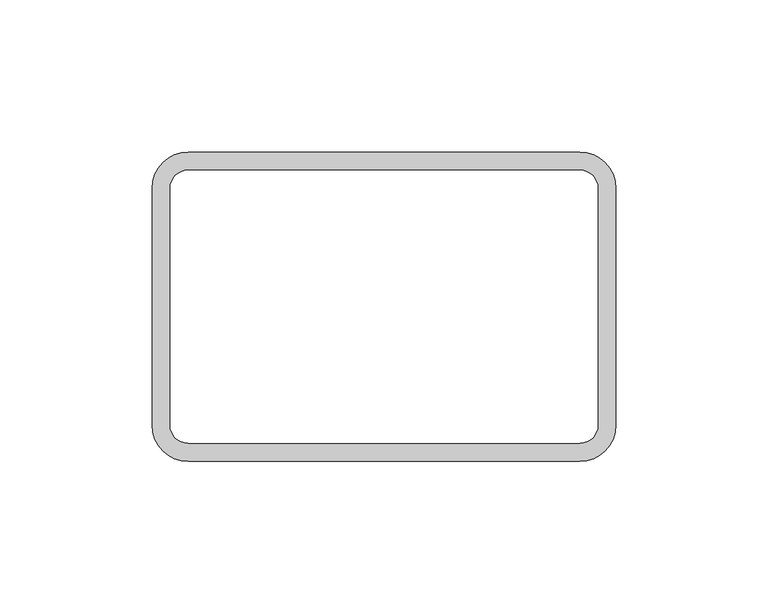
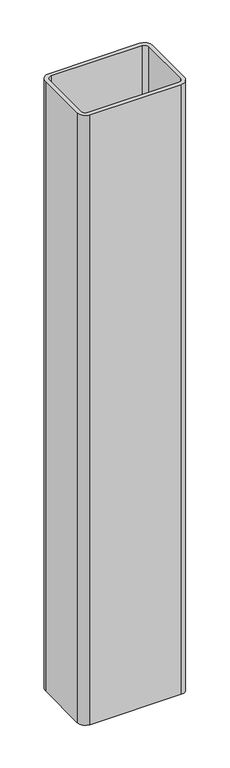
"""IFC4 building model written with IfcOpenShell, lengths in millimetres: proxy geometry."""

from ifc_helpers import new_model, si_unit, point, frame, frame_2d, origin, place, context, project, spatial, polyline, circle_curve, trimmed, segment, composite_curve, outline, extrude, source, transform, mapped, element, save


def generic_models_f50d6ed7(model_context):
    return source(origin(), model_context, "Body", "SweptSolid", [
        extrude(outline(composite_curve([segment(trimmed(circle_curve(frame_2d((37109.1074168, -24028.1165893)), 11.8364), [point((37109.1074168, -24039.9529893))], [point((37097.2710168, -24028.1165893))], False, "CARTESIAN"), True, "CONTINUOUS"), segment(polyline([(37097.2710168, -24028.1165893), (37097.2710168, -23950.1893893)]), True, "CONTINUOUS"), segment(trimmed(circle_curve(frame_2d((37109.1074168, -23950.1893893)), 11.8364), [point((37097.2710168, -23950.1893893))], [point((37109.1074168, -23938.3529893))], False, "CARTESIAN"), True, "CONTINUOUS"), segment(polyline([(37109.1074168, -23938.3529893), (37237.8346168, -23938.3529893)]), True, "CONTINUOUS"), segment(trimmed(circle_curve(frame_2d((37237.8346168, -23950.1893893)), 11.8364), [point((37237.8346168, -23938.3529893))], [point((37249.6710168, -23950.1893893))], False, "CARTESIAN"), True, "CONTINUOUS"), segment(polyline([(37249.6710168, -23950.1893893), (37249.6710168, -24028.1165893)]), True, "CONTINUOUS"), segment(trimmed(circle_curve(frame_2d((37237.8346168, -24028.1165893)), 11.8364), [point((37249.6710168, -24028.1165893))], [point((37237.8346168, -24039.9529893))], False, "CARTESIAN"), True, "CONTINUOUS"), segment(polyline([(37237.8346168, -24039.9529893), (37109.1074168, -24039.9529893)]), True, "CONTINUOUS")], self_intersect=False), holes=[composite_curve([segment(polyline([(37103.1892168, -23950.1893893), (37103.1892168, -24028.1165893)]), True, "CONTINUOUS"), segment(trimmed(circle_curve(frame_2d((37109.1074168, -24028.1165893)), 5.9182), [point((37103.1892168, -24028.1165893))], [point((37109.1074168, -24034.0347893))], True, "CARTESIAN"), True, "CONTINUOUS"), segment(polyline([(37109.1074168, -24034.0347893), (37237.8346168, -24034.0347893)]), True, "CONTINUOUS"), segment(trimmed(circle_curve(frame_2d((37237.8346168, -24028.1165893)), 5.9182), [point((37237.8346168, -24034.0347893))], [point((37243.7528168, -24028.1165893))], True, "CARTESIAN"), True, "CONTINUOUS"), segment(polyline([(37243.7528168, -24028.1165893), (37243.7528168, -23950.1893893)]), True, "CONTINUOUS"), segment(trimmed(circle_curve(frame_2d((37237.8346168, -23950.1893893)), 5.9182), [point((37243.7528168, -23950.1893893))], [point((37237.8346168, -23944.2711893))], True, "CARTESIAN"), True, "CONTINUOUS"), segment(polyline([(37237.8346168, -23944.2711893), (37109.1074168, -23944.2711893)]), True, "CONTINUOUS"), segment(trimmed(circle_curve(frame_2d((37109.1074168, -23950.1893893)), 5.9182), [point((37109.1074168, -23944.2711893))], [point((37103.1892168, -23950.1893893))], True, "CARTESIAN"), True, "CONTINUOUS")], self_intersect=False)]), frame((0.0, 0.0, 1524.0), z_axis=(0.0, 0.0, 1.0), x_axis=(1.0, 0.0, 0.0)), (0.0, 0.0, 1.0), 914.4),
    ])


if __name__ == "__main__":
    model = new_model("IFC4")
    model_context = context("Model", 3, world=origin())
    ifc_project = project(units=[si_unit("LENGTHUNIT", "METRE", prefix="MILLI")], contexts=[model_context])
    site = spatial("IfcSite", under=ifc_project)
    building = spatial("IfcBuilding", under=site)
    placement = place(None, origin())
    generic_models_shape = generic_models_f50d6ed7(model_context)
    element("IfcBuildingElementProxy", 1, Name="Generic Models", at=placement, inside=building, context=model_context, shape_type="MappedRepresentation", body=[
        mapped(generic_models_shape, transform((0.0, 0.0, 0.0), x_axis=(1.0, 0.0, 0.0), y_axis=(0.0, 1.0, 0.0), z_axis=(0.0, 0.0, 1.0))),
    ])
    save(model, "model.ifc")
